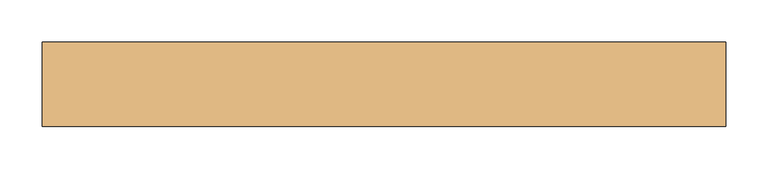
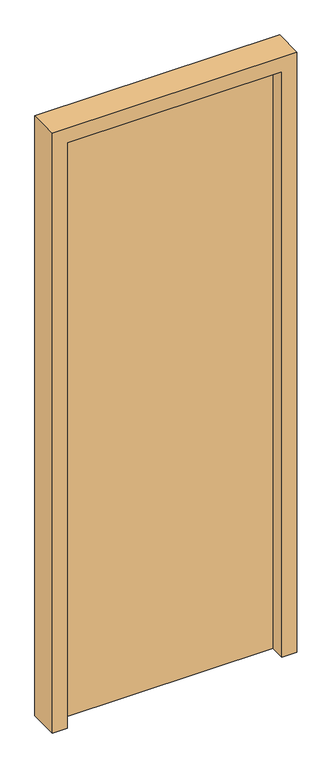
"""IFC4 building model written with IfcOpenShell, lengths in millimetres: door geometry."""

from ifc_helpers import new_model, si_unit, frame, origin, origin_with_axes, place, context, project, spatial, polyline, outline, extrude, source, transform, mapped, element, save


def door_10fb9903(model_context):
    return source(origin(), model_context, "Body", "SweptSolid", [
        extrude(outline(polyline([(-355.0, 50.0), (355.0, 50.0), (355.0, 0.0), (-355.0, 0.0), (-355.0, 50.0)])), origin_with_axes(), (0.0, 0.0, 1.0), 2050.0),
        extrude(outline(polyline([(0.0, -405.0), (0.0, -355.0), (2050.0, -355.0), (2050.0, 355.0), (0.0, 355.0), (0.0, 405.0), (2100.0, 405.0), (2100.0, -405.0), (0.0, -405.0)])), frame((0.0, -50.0, 0.0), z_axis=(0.0, 1.0, 0.0), x_axis=(0.0, 0.0, 1.0)), (0.0, 0.0, 1.0), 100.0),
    ])


if __name__ == "__main__":
    model = new_model("IFC4")
    model_context = context("Model", 3, world=origin())
    ifc_project = project(units=[si_unit("LENGTHUNIT", "METRE", prefix="MILLI")], contexts=[model_context])
    site = spatial("IfcSite", under=ifc_project)
    building = spatial("IfcBuilding", under=site)
    placement = place(None, origin())
    door_shape = door_10fb9903(model_context)
    element("IfcDoor", 1, at=placement, inside=building, context=model_context, shape_type="MappedRepresentation", body=[
        mapped(door_shape, transform((0.0, 0.0, 0.0), x_axis=(1.0, 0.0, 0.0), y_axis=(0.0, 1.0, 0.0), z_axis=(0.0, 0.0, 1.0))),
    ])
    save(model, "model.ifc")
